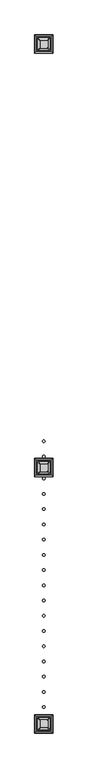
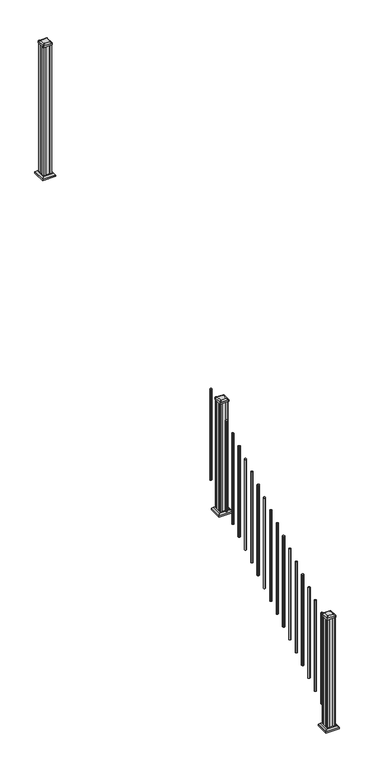
"""IFC4 building model written with IfcOpenShell, lengths in millimetres: railing geometry."""

from ifc_helpers import new_model, si_unit, point, frame, frame_2d, origin, place, context, project, spatial, polyline, circle_curve, trimmed, segment, composite_curve, outline, extrude, faceted_brep, source, transform, mapped, element, save
from ifc_brep_helpers import plane_surface, extruded_surface, advanced_brep


def railing_6326aafb(model_context):
    return source(origin(), model_context, "Body", "SolidModel", [
        extrude(outline(composite_curve([segment(trimmed(circle_curve(frame_2d((9756.5942659, -14792.9319681)), 9.525), [point((9747.0692659, -14792.9319681))], [point((9756.5942659, -14783.4069681))], False, "CARTESIAN"), True, "CONTINUOUS"), segment(trimmed(circle_curve(frame_2d((9756.5942659, -14792.9319681)), 9.525), [point((9756.5942659, -14783.4069681))], [point((9766.1192659, -14792.9319681))], False, "CARTESIAN"), True, "CONTINUOUS"), segment(trimmed(circle_curve(frame_2d((9756.5942659, -14792.9319681)), 9.525), [point((9766.1192659, -14792.9319681))], [point((9756.5942659, -14802.4569681))], False, "CARTESIAN"), True, "CONTINUOUS"), segment(trimmed(circle_curve(frame_2d((9756.5942659, -14792.9319681)), 9.525), [point((9756.5942659, -14802.4569681))], [point((9747.0692659, -14792.9319681))], False, "CARTESIAN"), True, "CONTINUOUS")], self_intersect=False)), frame((0.0, 0.0, 1555.1505656), z_axis=(0.0, 0.0, 1.0), x_axis=(1.0, 0.0, 0.0)), (0.0, 0.0, 1.0), 965.2041219),
        extrude(outline(composite_curve([segment(trimmed(circle_curve(frame_2d((9756.5942659, -14904.0569681)), 9.525), [point((9747.0692659, -14904.0569681))], [point((9756.5942659, -14894.5319681))], False, "CARTESIAN"), True, "CONTINUOUS"), segment(trimmed(circle_curve(frame_2d((9756.5942659, -14904.0569681)), 9.525), [point((9756.5942659, -14894.5319681))], [point((9766.1192659, -14904.0569681))], False, "CARTESIAN"), True, "CONTINUOUS"), segment(trimmed(circle_curve(frame_2d((9756.5942659, -14904.0569681)), 9.525), [point((9766.1192659, -14904.0569681))], [point((9756.5942659, -14913.5819681))], False, "CARTESIAN"), True, "CONTINUOUS"), segment(trimmed(circle_curve(frame_2d((9756.5942659, -14904.0569681)), 9.525), [point((9756.5942659, -14913.5819681))], [point((9747.0692659, -14904.0569681))], False, "CARTESIAN"), True, "CONTINUOUS")], self_intersect=False)), frame((0.0, 0.0, 1485.6974406), z_axis=(0.0, 0.0, 1.0), x_axis=(1.0, 0.0, 0.0)), (0.0, 0.0, 1.0), 965.2041219),
        faceted_brep([(9704.0083284, -15037.6054056, 1362.075), (9809.1802034, -15037.6054056, 1362.075), (9809.1802034, -14932.4335306, 1362.075), (9704.0083284, -14932.4335306, 1362.075), (9689.9688753, -15051.6448587, 1348.74), (9689.9688753, -14918.3940775, 1348.74), (9823.2196565, -14918.3940775, 1348.74), (9823.2196565, -15051.6448587, 1348.74)], [[[0, 1, 2, 3]], [[4, 5, 6, 7]], [[4, 7, 1, 0]], [[7, 6, 2, 1]], [[6, 5, 3, 2]], [[5, 4, 0, 3]]]),
        extrude(outline(polyline([(9689.9688753, -15051.6448587), (9689.9688753, -14918.3940775), (9823.2196565, -14918.3940775), (9823.2196565, -15051.6448587), (9689.9688753, -15051.6448587)])), frame((0.0, 0.0, 1333.5), z_axis=(0.0, 0.0, 1.0), x_axis=(1.0, 0.0, 0.0)), (0.0, 0.0, 1.0), 15.24),
        advanced_brep(
        [(9782.3911409, -15013.9913431, 2545.839263), (9785.5661409, -15010.8163431, 2545.839263), (9785.5661409, -14959.2225931, 2545.839263), (9782.3911409, -14956.0475931, 2545.839263), (9730.7973909, -14956.0475931, 2545.839263), (9727.6223909, -14959.2225931, 2545.839263), (9727.6223909, -15010.8163431, 2545.839263), (9730.7973909, -15013.9913431, 2545.839263), (9798.6630159, -15030.2632181, 2534.536263), (9714.5255159, -15030.2632181, 2534.536263), (9711.3505159, -15027.0882181, 2534.536263), (9711.3505159, -14942.9507181, 2534.536263), (9714.5255159, -14939.7757181, 2534.536263), (9798.6630159, -14939.7757181, 2534.536263), (9801.8380159, -14942.9507181, 2534.536263), (9801.8380159, -15027.0882181, 2534.536263)],
        [
            (0, 1, circle_curve(frame((9782.3911409, -15010.8163431, 2545.839263), z_axis=(0.0, 0.0, 1.0), x_axis=(0.0, 1.0, 0.0)), 3.175)),
            (1, 2),
            (2, 3, circle_curve(frame((9782.3911409, -14959.2225931, 2545.839263), z_axis=(0.0, 0.0, 1.0), x_axis=(0.0, 1.0, 0.0)), 3.175)),
            (3, 4),
            (4, 5, circle_curve(frame((9730.7973909, -14959.2225931, 2545.839263), z_axis=(0.0, 0.0, 1.0), x_axis=(0.0, 1.0, 0.0)), 3.175)),
            (5, 6),
            (6, 7, circle_curve(frame((9730.7973909, -15010.8163431, 2545.839263), z_axis=(0.0, 0.0, 1.0), x_axis=(0.0, 1.0, 0.0)), 3.175)),
            (7, 0),
            (8, 9),
            (9, 10, circle_curve(frame((9714.5255159, -15027.0882181, 2534.536263), z_axis=(0.0, 0.0, -1.0), x_axis=(0.0, 1.0, 0.0)), 3.175)),
            (10, 11),
            (11, 12, circle_curve(frame((9714.5255159, -14942.9507181, 2534.536263), z_axis=(0.0, 0.0, -1.0), x_axis=(0.0, 1.0, 0.0)), 3.175)),
            (12, 13),
            (13, 14, circle_curve(frame((9798.6630159, -14942.9507181, 2534.536263), z_axis=(0.0, 0.0, -1.0), x_axis=(0.0, 1.0, 0.0)), 3.175)),
            (14, 15),
            (15, 8, circle_curve(frame((9798.6630159, -15027.0882181, 2534.536263), z_axis=(0.0, 0.0, -1.0), x_axis=(0.0, 1.0, 0.0)), 3.175)),
            (15, 1),
            (0, 8),
            (14, 2),
            (13, 3),
            (12, 4),
            (11, 5),
            (10, 6),
            (9, 7),
        ],
        [
            plane_surface(frame((9756.5942659, -14985.0194681, 2545.839263), z_axis=(0.0, 0.0, 1.0), x_axis=(1.0, 0.0, 0.0))),
            plane_surface(frame((9756.5942659, -14985.0194681, 2534.536263), z_axis=(0.0, 0.0, -1.0), x_axis=(1.0, 0.0, 0.0))),
            extruded_surface(trimmed(circle_curve(frame((9798.6630159, -15027.0882181, 2534.536263), z_axis=(0.0, 0.0, 1.0), x_axis=(0.0, 1.0, 0.0)), 3.175), [point((9798.6630159, -15030.2632181, 2534.536263))], [point((9801.8380159, -15027.0882181, 2534.536263))], True, "CARTESIAN"), (-16.271875000000364, 16.271875000000364, 11.302999999999884), 25.63797263886657),
            plane_surface(frame((9801.8380159, -14985.0194681, 2534.536263), z_axis=(0.5705009161540778, 0.0, 0.8212969649690408), x_axis=(0.0, 1.0, 0.0))),
            extruded_surface(trimmed(circle_curve(frame((9798.6630159, -14942.9507181, 2534.536263), z_axis=(0.0, 0.0, 1.0), x_axis=(0.0, 1.0, 0.0)), 3.175), [point((9801.8380159, -14942.9507181, 2534.536263))], [point((9798.6630159, -14939.7757181, 2534.536263))], True, "CARTESIAN"), (-16.271875000000364, -16.271874999998545, 11.302999999999884), 25.63797263886542),
            plane_surface(frame((9756.5942659, -14939.7757181, 2534.536263), z_axis=(0.0, 0.5705009161540291, 0.8212969649690747), x_axis=(-1.0, 0.0, 0.0))),
            extruded_surface(trimmed(circle_curve(frame((9714.5255159, -14942.9507181, 2534.536263), z_axis=(0.0, 0.0, 1.0), x_axis=(0.0, 1.0, 0.0)), 3.175), [point((9714.5255159, -14939.7757181, 2534.536263))], [point((9711.3505159, -14942.9507181, 2534.536263))], True, "CARTESIAN"), (16.271874999998545, -16.271874999998545, 11.302999999999884), 25.637972638864262),
            plane_surface(frame((9711.3505159, -14985.0194681, 2534.536263), z_axis=(-0.5705009161540142, 0.0, 0.8212969649690851), x_axis=(0.0, -1.0, 0.0))),
            extruded_surface(trimmed(circle_curve(frame((9714.5255159, -15027.0882181, 2534.536263), z_axis=(0.0, 0.0, 1.0), x_axis=(0.0, 1.0, 0.0)), 3.175), [point((9711.3505159, -15027.0882181, 2534.536263))], [point((9714.5255159, -15030.2632181, 2534.536263))], True, "CARTESIAN"), (16.271874999998545, 16.271875000000364, 11.302999999999884), 25.63797263886542),
            plane_surface(frame((9756.5942659, -15030.2632181, 2534.536263), z_axis=(0.0, -0.570500916154034, 0.8212969649690713), x_axis=(1.0, 0.0, 0.0))),
        ],
        [
            (0, [[1, 2, 3, 4, 5, 6, 7, 8]]),
            (1, [[9, 10, 11, 12, 13, 14, 15, 16]]),
            (2, [[-16, 17, -1, 18]]),
            (3, [[-15, 19, -2, -17]]),
            (4, [[-14, 20, -3, -19]]),
            (5, [[-13, 21, -4, -20]]),
            (6, [[-12, 22, -5, -21]]),
            (7, [[-11, 23, -6, -22]]),
            (8, [[-10, 24, -7, -23]]),
            (9, [[-9, -18, -8, -24]]),
        ],
    ),
        extrude(outline(composite_curve([segment(polyline([(9798.6630159, -15030.2632181), (9714.5255159, -15030.2632181)]), True, "CONTINUOUS"), segment(trimmed(circle_curve(frame_2d((9714.5255159, -15027.0882181)), 3.175), [point((9714.5255159, -15030.2632181))], [point((9711.3505159, -15027.0882181))], False, "CARTESIAN"), True, "CONTINUOUS"), segment(polyline([(9711.3505159, -15027.0882181), (9711.3505159, -14942.9507181)]), True, "CONTINUOUS"), segment(trimmed(circle_curve(frame_2d((9714.5255159, -14942.9507181)), 3.175), [point((9711.3505159, -14942.9507181))], [point((9714.5255159, -14939.7757181))], False, "CARTESIAN"), True, "CONTINUOUS"), segment(polyline([(9714.5255159, -14939.7757181), (9798.6630159, -14939.7757181)]), True, "CONTINUOUS"), segment(trimmed(circle_curve(frame_2d((9798.6630159, -14942.9507181)), 3.175), [point((9798.6630159, -14939.7757181))], [point((9801.8380159, -14942.9507181))], False, "CARTESIAN"), True, "CONTINUOUS"), segment(polyline([(9801.8380159, -14942.9507181), (9801.8380159, -15027.0882181)]), True, "CONTINUOUS"), segment(trimmed(circle_curve(frame_2d((9798.6630159, -15027.0882181)), 3.175), [point((9801.8380159, -15027.0882181))], [point((9798.6630159, -15030.2632181))], False, "CARTESIAN"), True, "CONTINUOUS")], self_intersect=False)), frame((0.0, 0.0, 2517.264263), z_axis=(0.0, 0.0, 1.0), x_axis=(1.0, 0.0, 0.0)), (0.0, 0.0, 1.0), 17.272),
        extrude(outline(polyline([(9796.2817659, -15026.2944681), (9776.6602659, -15026.2944681), (9775.8982659, -15024.7069681), (9737.2902659, -15024.7069681), (9736.5282659, -15026.2944681), (9716.9067659, -15026.2944681), (9715.3192659, -15024.7069681), (9715.3192659, -15005.0854681), (9716.9067659, -15004.3234681), (9716.9067659, -14965.7154681), (9715.3192659, -14964.9534681), (9715.3192659, -14945.3319681), (9716.9067659, -14943.7444681), (9736.5282659, -14943.7444681), (9737.2902659, -14945.3319681), (9775.8982659, -14945.3319681), (9776.6602659, -14943.7444681), (9796.2817659, -14943.7444681), (9797.8692659, -14945.3319681), (9797.8692659, -14964.9534681), (9796.2817659, -14965.7154681), (9796.2817659, -15004.3234681), (9797.8692659, -15005.0854681), (9797.8692659, -15024.7069681), (9796.2817659, -15026.2944681)])), frame((0.0, 0.0, 1333.5), z_axis=(0.0, 0.0, 1.0), x_axis=(1.0, 0.0, 0.0)), (0.0, 0.0, 1.0), 1183.764263),
        extrude(outline(composite_curve([segment(trimmed(circle_curve(frame_2d((9756.5942659, -15065.9819681)), 9.525), [point((9747.0692659, -15065.9819681))], [point((9756.5942659, -15056.4569681))], False, "CARTESIAN"), True, "CONTINUOUS"), segment(trimmed(circle_curve(frame_2d((9756.5942659, -15065.9819681)), 9.525), [point((9756.5942659, -15056.4569681))], [point((9766.1192659, -15065.9819681))], False, "CARTESIAN"), True, "CONTINUOUS"), segment(trimmed(circle_curve(frame_2d((9756.5942659, -15065.9819681)), 9.525), [point((9766.1192659, -15065.9819681))], [point((9756.5942659, -15075.5069681))], False, "CARTESIAN"), True, "CONTINUOUS"), segment(trimmed(circle_curve(frame_2d((9756.5942659, -15065.9819681)), 9.525), [point((9756.5942659, -15075.5069681))], [point((9747.0692659, -15065.9819681))], False, "CARTESIAN"), True, "CONTINUOUS")], self_intersect=False)), frame((0.0, 0.0, 1384.4943156), z_axis=(0.0, 0.0, 1.0), x_axis=(1.0, 0.0, 0.0)), (0.0, 0.0, 1.0), 965.2041219),
        extrude(outline(composite_curve([segment(trimmed(circle_curve(frame_2d((9756.5942659, -15177.1069681)), 9.525), [point((9747.0692659, -15177.1069681))], [point((9756.5942659, -15167.5819681))], False, "CARTESIAN"), True, "CONTINUOUS"), segment(trimmed(circle_curve(frame_2d((9756.5942659, -15177.1069681)), 9.525), [point((9756.5942659, -15167.5819681))], [point((9766.1192659, -15177.1069681))], False, "CARTESIAN"), True, "CONTINUOUS"), segment(trimmed(circle_curve(frame_2d((9756.5942659, -15177.1069681)), 9.525), [point((9766.1192659, -15177.1069681))], [point((9756.5942659, -15186.6319681))], False, "CARTESIAN"), True, "CONTINUOUS"), segment(trimmed(circle_curve(frame_2d((9756.5942659, -15177.1069681)), 9.525), [point((9756.5942659, -15186.6319681))], [point((9747.0692659, -15177.1069681))], False, "CARTESIAN"), True, "CONTINUOUS")], self_intersect=False)), frame((0.0, 0.0, 1315.0411906), z_axis=(0.0, 0.0, 1.0), x_axis=(1.0, 0.0, 0.0)), (0.0, 0.0, 1.0), 965.2041219),
        extrude(outline(composite_curve([segment(trimmed(circle_curve(frame_2d((9756.5942659, -15288.2319681)), 9.525), [point((9747.0692659, -15288.2319681))], [point((9756.5942659, -15278.7069681))], False, "CARTESIAN"), True, "CONTINUOUS"), segment(trimmed(circle_curve(frame_2d((9756.5942659, -15288.2319681)), 9.525), [point((9756.5942659, -15278.7069681))], [point((9766.1192659, -15288.2319681))], False, "CARTESIAN"), True, "CONTINUOUS"), segment(trimmed(circle_curve(frame_2d((9756.5942659, -15288.2319681)), 9.525), [point((9766.1192659, -15288.2319681))], [point((9756.5942659, -15297.7569681))], False, "CARTESIAN"), True, "CONTINUOUS"), segment(trimmed(circle_curve(frame_2d((9756.5942659, -15288.2319681)), 9.525), [point((9756.5942659, -15297.7569681))], [point((9747.0692659, -15288.2319681))], False, "CARTESIAN"), True, "CONTINUOUS")], self_intersect=False)), frame((0.0, 0.0, 1245.5880656), z_axis=(0.0, 0.0, 1.0), x_axis=(1.0, 0.0, 0.0)), (0.0, 0.0, 1.0), 965.2041219),
        extrude(outline(composite_curve([segment(trimmed(circle_curve(frame_2d((9756.5942659, -15399.3569681)), 9.525), [point((9747.0692659, -15399.3569681))], [point((9756.5942659, -15389.8319681))], False, "CARTESIAN"), True, "CONTINUOUS"), segment(trimmed(circle_curve(frame_2d((9756.5942659, -15399.3569681)), 9.525), [point((9756.5942659, -15389.8319681))], [point((9766.1192659, -15399.3569681))], False, "CARTESIAN"), True, "CONTINUOUS"), segment(trimmed(circle_curve(frame_2d((9756.5942659, -15399.3569681)), 9.525), [point((9766.1192659, -15399.3569681))], [point((9756.5942659, -15408.8819681))], False, "CARTESIAN"), True, "CONTINUOUS"), segment(trimmed(circle_curve(frame_2d((9756.5942659, -15399.3569681)), 9.525), [point((9756.5942659, -15408.8819681))], [point((9747.0692659, -15399.3569681))], False, "CARTESIAN"), True, "CONTINUOUS")], self_intersect=False)), frame((0.0, 0.0, 1176.1349406), z_axis=(0.0, 0.0, 1.0), x_axis=(1.0, 0.0, 0.0)), (0.0, 0.0, 1.0), 965.2041219),
        extrude(outline(composite_curve([segment(trimmed(circle_curve(frame_2d((9756.5942659, -15510.4819681)), 9.525), [point((9747.0692659, -15510.4819681))], [point((9756.5942659, -15500.9569681))], False, "CARTESIAN"), True, "CONTINUOUS"), segment(trimmed(circle_curve(frame_2d((9756.5942659, -15510.4819681)), 9.525), [point((9756.5942659, -15500.9569681))], [point((9766.1192659, -15510.4819681))], False, "CARTESIAN"), True, "CONTINUOUS"), segment(trimmed(circle_curve(frame_2d((9756.5942659, -15510.4819681)), 9.525), [point((9766.1192659, -15510.4819681))], [point((9756.5942659, -15520.0069681))], False, "CARTESIAN"), True, "CONTINUOUS"), segment(trimmed(circle_curve(frame_2d((9756.5942659, -15510.4819681)), 9.525), [point((9756.5942659, -15520.0069681))], [point((9747.0692659, -15510.4819681))], False, "CARTESIAN"), True, "CONTINUOUS")], self_intersect=False)), frame((0.0, 0.0, 1106.6818156), z_axis=(0.0, 0.0, 1.0), x_axis=(1.0, 0.0, 0.0)), (0.0, 0.0, 1.0), 965.2041219),
        extrude(outline(composite_curve([segment(trimmed(circle_curve(frame_2d((9756.5942659, -15621.6069681)), 9.525), [point((9747.0692659, -15621.6069681))], [point((9756.5942659, -15612.0819681))], False, "CARTESIAN"), True, "CONTINUOUS"), segment(trimmed(circle_curve(frame_2d((9756.5942659, -15621.6069681)), 9.525), [point((9756.5942659, -15612.0819681))], [point((9766.1192659, -15621.6069681))], False, "CARTESIAN"), True, "CONTINUOUS"), segment(trimmed(circle_curve(frame_2d((9756.5942659, -15621.6069681)), 9.525), [point((9766.1192659, -15621.6069681))], [point((9756.5942659, -15631.1319681))], False, "CARTESIAN"), True, "CONTINUOUS"), segment(trimmed(circle_curve(frame_2d((9756.5942659, -15621.6069681)), 9.525), [point((9756.5942659, -15631.1319681))], [point((9747.0692659, -15621.6069681))], False, "CARTESIAN"), True, "CONTINUOUS")], self_intersect=False)), frame((0.0, 0.0, 1037.2286906), z_axis=(0.0, 0.0, 1.0), x_axis=(1.0, 0.0, 0.0)), (0.0, 0.0, 1.0), 965.2041219),
        extrude(outline(composite_curve([segment(trimmed(circle_curve(frame_2d((9756.5942659, -15732.7319681)), 9.525), [point((9747.0692659, -15732.7319681))], [point((9756.5942659, -15723.2069681))], False, "CARTESIAN"), True, "CONTINUOUS"), segment(trimmed(circle_curve(frame_2d((9756.5942659, -15732.7319681)), 9.525), [point((9756.5942659, -15723.2069681))], [point((9766.1192659, -15732.7319681))], False, "CARTESIAN"), True, "CONTINUOUS"), segment(trimmed(circle_curve(frame_2d((9756.5942659, -15732.7319681)), 9.525), [point((9766.1192659, -15732.7319681))], [point((9756.5942659, -15742.2569681))], False, "CARTESIAN"), True, "CONTINUOUS"), segment(trimmed(circle_curve(frame_2d((9756.5942659, -15732.7319681)), 9.525), [point((9756.5942659, -15742.2569681))], [point((9747.0692659, -15732.7319681))], False, "CARTESIAN"), True, "CONTINUOUS")], self_intersect=False)), frame((0.0, 0.0, 967.7755656), z_axis=(0.0, 0.0, 1.0), x_axis=(1.0, 0.0, 0.0)), (0.0, 0.0, 1.0), 965.2041219),
        extrude(outline(composite_curve([segment(trimmed(circle_curve(frame_2d((9756.5942659, -15843.8569681)), 9.525), [point((9747.0692659, -15843.8569681))], [point((9756.5942659, -15834.3319681))], False, "CARTESIAN"), True, "CONTINUOUS"), segment(trimmed(circle_curve(frame_2d((9756.5942659, -15843.8569681)), 9.525), [point((9756.5942659, -15834.3319681))], [point((9766.1192659, -15843.8569681))], False, "CARTESIAN"), True, "CONTINUOUS"), segment(trimmed(circle_curve(frame_2d((9756.5942659, -15843.8569681)), 9.525), [point((9766.1192659, -15843.8569681))], [point((9756.5942659, -15853.3819681))], False, "CARTESIAN"), True, "CONTINUOUS"), segment(trimmed(circle_curve(frame_2d((9756.5942659, -15843.8569681)), 9.525), [point((9756.5942659, -15853.3819681))], [point((9747.0692659, -15843.8569681))], False, "CARTESIAN"), True, "CONTINUOUS")], self_intersect=False)), frame((0.0, 0.0, 898.3224406), z_axis=(0.0, 0.0, 1.0), x_axis=(1.0, 0.0, 0.0)), (0.0, 0.0, 1.0), 965.2041219),
        extrude(outline(composite_curve([segment(trimmed(circle_curve(frame_2d((9756.5942659, -15954.9819681)), 9.525), [point((9747.0692659, -15954.9819681))], [point((9756.5942659, -15945.4569681))], False, "CARTESIAN"), True, "CONTINUOUS"), segment(trimmed(circle_curve(frame_2d((9756.5942659, -15954.9819681)), 9.525), [point((9756.5942659, -15945.4569681))], [point((9766.1192659, -15954.9819681))], False, "CARTESIAN"), True, "CONTINUOUS"), segment(trimmed(circle_curve(frame_2d((9756.5942659, -15954.9819681)), 9.525), [point((9766.1192659, -15954.9819681))], [point((9756.5942659, -15964.5069681))], False, "CARTESIAN"), True, "CONTINUOUS"), segment(trimmed(circle_curve(frame_2d((9756.5942659, -15954.9819681)), 9.525), [point((9756.5942659, -15964.5069681))], [point((9747.0692659, -15954.9819681))], False, "CARTESIAN"), True, "CONTINUOUS")], self_intersect=False)), frame((0.0, 0.0, 828.8693156), z_axis=(0.0, 0.0, 1.0), x_axis=(1.0, 0.0, 0.0)), (0.0, 0.0, 1.0), 965.2041219),
        extrude(outline(composite_curve([segment(trimmed(circle_curve(frame_2d((9756.5942659, -16066.1069681)), 9.525), [point((9747.0692659, -16066.1069681))], [point((9756.5942659, -16056.5819681))], False, "CARTESIAN"), True, "CONTINUOUS"), segment(trimmed(circle_curve(frame_2d((9756.5942659, -16066.1069681)), 9.525), [point((9756.5942659, -16056.5819681))], [point((9766.1192659, -16066.1069681))], False, "CARTESIAN"), True, "CONTINUOUS"), segment(trimmed(circle_curve(frame_2d((9756.5942659, -16066.1069681)), 9.525), [point((9766.1192659, -16066.1069681))], [point((9756.5942659, -16075.6319681))], False, "CARTESIAN"), True, "CONTINUOUS"), segment(trimmed(circle_curve(frame_2d((9756.5942659, -16066.1069681)), 9.525), [point((9756.5942659, -16075.6319681))], [point((9747.0692659, -16066.1069681))], False, "CARTESIAN"), True, "CONTINUOUS")], self_intersect=False)), frame((0.0, 0.0, 759.4161906), z_axis=(0.0, 0.0, 1.0), x_axis=(1.0, 0.0, 0.0)), (0.0, 0.0, 1.0), 965.2041219),
        extrude(outline(composite_curve([segment(trimmed(circle_curve(frame_2d((9756.5942659, -16177.2319681)), 9.525), [point((9747.0692659, -16177.2319681))], [point((9756.5942659, -16167.7069681))], False, "CARTESIAN"), True, "CONTINUOUS"), segment(trimmed(circle_curve(frame_2d((9756.5942659, -16177.2319681)), 9.525), [point((9756.5942659, -16167.7069681))], [point((9766.1192659, -16177.2319681))], False, "CARTESIAN"), True, "CONTINUOUS"), segment(trimmed(circle_curve(frame_2d((9756.5942659, -16177.2319681)), 9.525), [point((9766.1192659, -16177.2319681))], [point((9756.5942659, -16186.7569681))], False, "CARTESIAN"), True, "CONTINUOUS"), segment(trimmed(circle_curve(frame_2d((9756.5942659, -16177.2319681)), 9.525), [point((9756.5942659, -16186.7569681))], [point((9747.0692659, -16177.2319681))], False, "CARTESIAN"), True, "CONTINUOUS")], self_intersect=False)), frame((0.0, 0.0, 689.9630656), z_axis=(0.0, 0.0, 1.0), x_axis=(1.0, 0.0, 0.0)), (0.0, 0.0, 1.0), 965.2041219),
        extrude(outline(composite_curve([segment(trimmed(circle_curve(frame_2d((9756.5942659, -16288.3569681)), 9.525), [point((9747.0692659, -16288.3569681))], [point((9756.5942659, -16278.8319681))], False, "CARTESIAN"), True, "CONTINUOUS"), segment(trimmed(circle_curve(frame_2d((9756.5942659, -16288.3569681)), 9.525), [point((9756.5942659, -16278.8319681))], [point((9766.1192659, -16288.3569681))], False, "CARTESIAN"), True, "CONTINUOUS"), segment(trimmed(circle_curve(frame_2d((9756.5942659, -16288.3569681)), 9.525), [point((9766.1192659, -16288.3569681))], [point((9756.5942659, -16297.8819681))], False, "CARTESIAN"), True, "CONTINUOUS"), segment(trimmed(circle_curve(frame_2d((9756.5942659, -16288.3569681)), 9.525), [point((9756.5942659, -16297.8819681))], [point((9747.0692659, -16288.3569681))], False, "CARTESIAN"), True, "CONTINUOUS")], self_intersect=False)), frame((0.0, 0.0, 620.5099406), z_axis=(0.0, 0.0, 1.0), x_axis=(1.0, 0.0, 0.0)), (0.0, 0.0, 1.0), 965.2041219),
        extrude(outline(composite_curve([segment(trimmed(circle_curve(frame_2d((9756.5942659, -16399.4819681)), 9.525), [point((9747.0692659, -16399.4819681))], [point((9756.5942659, -16389.9569681))], False, "CARTESIAN"), True, "CONTINUOUS"), segment(trimmed(circle_curve(frame_2d((9756.5942659, -16399.4819681)), 9.525), [point((9756.5942659, -16389.9569681))], [point((9766.1192659, -16399.4819681))], False, "CARTESIAN"), True, "CONTINUOUS"), segment(trimmed(circle_curve(frame_2d((9756.5942659, -16399.4819681)), 9.525), [point((9766.1192659, -16399.4819681))], [point((9756.5942659, -16409.0069681))], False, "CARTESIAN"), True, "CONTINUOUS"), segment(trimmed(circle_curve(frame_2d((9756.5942659, -16399.4819681)), 9.525), [point((9756.5942659, -16409.0069681))], [point((9747.0692659, -16399.4819681))], False, "CARTESIAN"), True, "CONTINUOUS")], self_intersect=False)), frame((0.0, 0.0, 551.0568156), z_axis=(0.0, 0.0, 1.0), x_axis=(1.0, 0.0, 0.0)), (0.0, 0.0, 1.0), 965.2041219),
        extrude(outline(composite_curve([segment(trimmed(circle_curve(frame_2d((9756.5942659, -16510.6069681)), 9.525), [point((9747.0692659, -16510.6069681))], [point((9756.5942659, -16501.0819681))], False, "CARTESIAN"), True, "CONTINUOUS"), segment(trimmed(circle_curve(frame_2d((9756.5942659, -16510.6069681)), 9.525), [point((9756.5942659, -16501.0819681))], [point((9766.1192659, -16510.6069681))], False, "CARTESIAN"), True, "CONTINUOUS"), segment(trimmed(circle_curve(frame_2d((9756.5942659, -16510.6069681)), 9.525), [point((9766.1192659, -16510.6069681))], [point((9756.5942659, -16520.1319681))], False, "CARTESIAN"), True, "CONTINUOUS"), segment(trimmed(circle_curve(frame_2d((9756.5942659, -16510.6069681)), 9.525), [point((9756.5942659, -16520.1319681))], [point((9747.0692659, -16510.6069681))], False, "CARTESIAN"), True, "CONTINUOUS")], self_intersect=False)), frame((0.0, 0.0, 481.6036906), z_axis=(0.0, 0.0, 1.0), x_axis=(1.0, 0.0, 0.0)), (0.0, 0.0, 1.0), 965.2041219),
        extrude(outline(composite_curve([segment(trimmed(circle_curve(frame_2d((9756.5942659, -16621.7319681)), 9.525), [point((9747.0692659, -16621.7319681))], [point((9756.5942659, -16612.2069681))], False, "CARTESIAN"), True, "CONTINUOUS"), segment(trimmed(circle_curve(frame_2d((9756.5942659, -16621.7319681)), 9.525), [point((9756.5942659, -16612.2069681))], [point((9766.1192659, -16621.7319681))], False, "CARTESIAN"), True, "CONTINUOUS"), segment(trimmed(circle_curve(frame_2d((9756.5942659, -16621.7319681)), 9.525), [point((9766.1192659, -16621.7319681))], [point((9756.5942659, -16631.2569681))], False, "CARTESIAN"), True, "CONTINUOUS"), segment(trimmed(circle_curve(frame_2d((9756.5942659, -16621.7319681)), 9.525), [point((9756.5942659, -16631.2569681))], [point((9747.0692659, -16621.7319681))], False, "CARTESIAN"), True, "CONTINUOUS")], self_intersect=False)), frame((0.0, 0.0, 412.1505656), z_axis=(0.0, 0.0, 1.0), x_axis=(1.0, 0.0, 0.0)), (0.0, 0.0, 1.0), 965.2041219),
        extrude(outline(composite_curve([segment(trimmed(circle_curve(frame_2d((9756.5942659, -16732.8569681)), 9.525), [point((9747.0692659, -16732.8569681))], [point((9756.5942659, -16723.3319681))], False, "CARTESIAN"), True, "CONTINUOUS"), segment(trimmed(circle_curve(frame_2d((9756.5942659, -16732.8569681)), 9.525), [point((9756.5942659, -16723.3319681))], [point((9766.1192659, -16732.8569681))], False, "CARTESIAN"), True, "CONTINUOUS"), segment(trimmed(circle_curve(frame_2d((9756.5942659, -16732.8569681)), 9.525), [point((9766.1192659, -16732.8569681))], [point((9756.5942659, -16742.3819681))], False, "CARTESIAN"), True, "CONTINUOUS"), segment(trimmed(circle_curve(frame_2d((9756.5942659, -16732.8569681)), 9.525), [point((9756.5942659, -16742.3819681))], [point((9747.0692659, -16732.8569681))], False, "CARTESIAN"), True, "CONTINUOUS")], self_intersect=False)), frame((0.0, 0.0, 342.6974406), z_axis=(0.0, 0.0, 1.0), x_axis=(1.0, 0.0, 0.0)), (0.0, 0.0, 1.0), 965.2041219),
        extrude(outline(polyline([(9796.2817659, -11937.0194681), (9776.6602659, -11937.0194681), (9775.8982659, -11935.4319681), (9737.2902659, -11935.4319681), (9736.5282659, -11937.0194681), (9716.9067659, -11937.0194681), (9715.3192659, -11935.4319681), (9715.3192659, -11915.8104681), (9716.9067659, -11915.0484681), (9716.9067659, -11876.4404681), (9715.3192659, -11875.6784681), (9715.3192659, -11856.0569681), (9716.9067659, -11854.4694681), (9736.5282659, -11854.4694681), (9737.2902659, -11856.0569681), (9775.8982659, -11856.0569681), (9776.6602659, -11854.4694681), (9796.2817659, -11854.4694681), (9797.8692659, -11856.0569681), (9797.8692659, -11875.6784681), (9796.2817659, -11876.4404681), (9796.2817659, -11915.0484681), (9797.8692659, -11915.8104681), (9797.8692659, -11935.4319681), (9796.2817659, -11937.0194681)])), frame((0.0, 0.0, 3048.0), z_axis=(0.0, 0.0, 1.0), x_axis=(1.0, 0.0, 0.0)), (0.0, 0.0, 1.0), 1400.061138),
        faceted_brep([(9704.0083284, -11948.3304056, 3076.575), (9809.1802034, -11948.3304056, 3076.575), (9809.1802034, -11843.1585306, 3076.575), (9704.0083284, -11843.1585306, 3076.575), (9689.9688753, -11962.3698587, 3063.24), (9689.9688753, -11829.1190775, 3063.24), (9823.2196565, -11829.1190775, 3063.24), (9823.2196565, -11962.3698587, 3063.24)], [[[0, 1, 2, 3]], [[4, 5, 6, 7]], [[4, 7, 1, 0]], [[7, 6, 2, 1]], [[6, 5, 3, 2]], [[5, 4, 0, 3]]]),
        extrude(outline(polyline([(9689.9688753, -11962.3698587), (9689.9688753, -11829.1190775), (9823.2196565, -11829.1190775), (9823.2196565, -11962.3698587), (9689.9688753, -11962.3698587)])), frame((0.0, 0.0, 3048.0), z_axis=(0.0, 0.0, 1.0), x_axis=(1.0, 0.0, 0.0)), (0.0, 0.0, 1.0), 15.24),
        advanced_brep(
        [(9782.3911409, -11924.7163431, 4476.636138), (9785.5661409, -11921.5413431, 4476.636138), (9785.5661409, -11869.9475931, 4476.636138), (9782.3911409, -11866.7725931, 4476.636138), (9730.7973909, -11866.7725931, 4476.636138), (9727.6223909, -11869.9475931, 4476.636138), (9727.6223909, -11921.5413431, 4476.636138), (9730.7973909, -11924.7163431, 4476.636138), (9798.6630159, -11940.9882181, 4465.333138), (9714.5255159, -11940.9882181, 4465.333138), (9711.3505159, -11937.8132181, 4465.333138), (9711.3505159, -11853.6757181, 4465.333138), (9714.5255159, -11850.5007181, 4465.333138), (9798.6630159, -11850.5007181, 4465.333138), (9801.8380159, -11853.6757181, 4465.333138), (9801.8380159, -11937.8132181, 4465.333138)],
        [
            (0, 1, circle_curve(frame((9782.3911409, -11921.5413431, 4476.636138), z_axis=(0.0, 0.0, 1.0), x_axis=(0.0, 1.0, 0.0)), 3.175)),
            (1, 2),
            (2, 3, circle_curve(frame((9782.3911409, -11869.9475931, 4476.636138), z_axis=(0.0, 0.0, 1.0), x_axis=(0.0, 1.0, 0.0)), 3.175)),
            (3, 4),
            (4, 5, circle_curve(frame((9730.7973909, -11869.9475931, 4476.636138), z_axis=(0.0, 0.0, 1.0), x_axis=(0.0, 1.0, 0.0)), 3.175)),
            (5, 6),
            (6, 7, circle_curve(frame((9730.7973909, -11921.5413431, 4476.636138), z_axis=(0.0, 0.0, 1.0), x_axis=(0.0, 1.0, 0.0)), 3.175)),
            (7, 0),
            (8, 9),
            (9, 10, circle_curve(frame((9714.5255159, -11937.8132181, 4465.333138), z_axis=(0.0, 0.0, -1.0), x_axis=(0.0, 1.0, 0.0)), 3.175)),
            (10, 11),
            (11, 12, circle_curve(frame((9714.5255159, -11853.6757181, 4465.333138), z_axis=(0.0, 0.0, -1.0), x_axis=(0.0, 1.0, 0.0)), 3.175)),
            (12, 13),
            (13, 14, circle_curve(frame((9798.6630159, -11853.6757181, 4465.333138), z_axis=(0.0, 0.0, -1.0), x_axis=(0.0, 1.0, 0.0)), 3.175)),
            (14, 15),
            (15, 8, circle_curve(frame((9798.6630159, -11937.8132181, 4465.333138), z_axis=(0.0, 0.0, -1.0), x_axis=(0.0, 1.0, 0.0)), 3.175)),
            (15, 1),
            (0, 8),
            (14, 2),
            (13, 3),
            (12, 4),
            (11, 5),
            (10, 6),
            (9, 7),
        ],
        [
            plane_surface(frame((9756.5942659, -11895.7444681, 4476.636138), z_axis=(0.0, 0.0, 1.0), x_axis=(1.0, 0.0, 0.0))),
            plane_surface(frame((9756.5942659, -11895.7444681, 4465.333138), z_axis=(0.0, 0.0, -1.0), x_axis=(1.0, 0.0, 0.0))),
            extruded_surface(trimmed(circle_curve(frame((9798.6630159, -11937.8132181, 4465.333138), z_axis=(0.0, 0.0, 1.0), x_axis=(0.0, 1.0, 0.0)), 3.175), [point((9798.6630159, -11940.9882181, 4465.333138))], [point((9801.8380159, -11937.8132181, 4465.333138))], True, "CARTESIAN"), (-16.271875000000364, 16.271875000000364, 11.302999999999884), 25.63797263886657),
            plane_surface(frame((9801.8380159, -11895.7444681, 4465.333138), z_axis=(0.5705009161540685, 0.0, 0.8212969649690474), x_axis=(0.0, 1.0, 0.0))),
            extruded_surface(trimmed(circle_curve(frame((9798.6630159, -11853.6757181, 4465.333138), z_axis=(0.0, 0.0, 1.0), x_axis=(0.0, 1.0, 0.0)), 3.175), [point((9801.8380159, -11853.6757181, 4465.333138))], [point((9798.6630159, -11850.5007181, 4465.333138))], True, "CARTESIAN"), (-16.271875000000364, -16.271875000000364, 11.302999999999884), 25.63797263886657),
            plane_surface(frame((9756.5942659, -11850.5007181, 4465.333138), z_axis=(0.0, 0.5705009161540291, 0.8212969649690747), x_axis=(-1.0, 0.0, 0.0))),
            extruded_surface(trimmed(circle_curve(frame((9714.5255159, -11853.6757181, 4465.333138), z_axis=(0.0, 0.0, 1.0), x_axis=(0.0, 1.0, 0.0)), 3.175), [point((9714.5255159, -11850.5007181, 4465.333138))], [point((9711.3505159, -11853.6757181, 4465.333138))], True, "CARTESIAN"), (16.271874999998545, -16.271875000000364, 11.302999999999884), 25.63797263886542),
            plane_surface(frame((9711.3505159, -11895.7444681, 4465.333138), z_axis=(-0.5705009161540235, 0.0, 0.8212969649690786), x_axis=(0.0, -1.0, 0.0))),
            extruded_surface(trimmed(circle_curve(frame((9714.5255159, -11937.8132181, 4465.333138), z_axis=(0.0, 0.0, 1.0), x_axis=(0.0, 1.0, 0.0)), 3.175), [point((9711.3505159, -11937.8132181, 4465.333138))], [point((9714.5255159, -11940.9882181, 4465.333138))], True, "CARTESIAN"), (16.271874999998545, 16.271875000000364, 11.302999999999884), 25.63797263886542),
            plane_surface(frame((9756.5942659, -11940.9882181, 4465.333138), z_axis=(0.0, -0.570500916154034, 0.8212969649690713), x_axis=(1.0, 0.0, 0.0))),
        ],
        [
            (0, [[1, 2, 3, 4, 5, 6, 7, 8]]),
            (1, [[9, 10, 11, 12, 13, 14, 15, 16]]),
            (2, [[-16, 17, -1, 18]]),
            (3, [[-15, 19, -2, -17]]),
            (4, [[-14, 20, -3, -19]]),
            (5, [[-13, 21, -4, -20]]),
            (6, [[-12, 22, -5, -21]]),
            (7, [[-11, 23, -6, -22]]),
            (8, [[-10, 24, -7, -23]]),
            (9, [[-9, -18, -8, -24]]),
        ],
    ),
        extrude(outline(composite_curve([segment(polyline([(9798.6630159, -11940.9882181), (9714.5255159, -11940.9882181)]), True, "CONTINUOUS"), segment(trimmed(circle_curve(frame_2d((9714.5255159, -11937.8132181)), 3.175), [point((9714.5255159, -11940.9882181))], [point((9711.3505159, -11937.8132181))], False, "CARTESIAN"), True, "CONTINUOUS"), segment(polyline([(9711.3505159, -11937.8132181), (9711.3505159, -11853.6757181)]), True, "CONTINUOUS"), segment(trimmed(circle_curve(frame_2d((9714.5255159, -11853.6757181)), 3.175), [point((9711.3505159, -11853.6757181))], [point((9714.5255159, -11850.5007181))], False, "CARTESIAN"), True, "CONTINUOUS"), segment(polyline([(9714.5255159, -11850.5007181), (9798.6630159, -11850.5007181)]), True, "CONTINUOUS"), segment(trimmed(circle_curve(frame_2d((9798.6630159, -11853.6757181)), 3.175), [point((9798.6630159, -11850.5007181))], [point((9801.8380159, -11853.6757181))], False, "CARTESIAN"), True, "CONTINUOUS"), segment(polyline([(9801.8380159, -11853.6757181), (9801.8380159, -11937.8132181)]), True, "CONTINUOUS"), segment(trimmed(circle_curve(frame_2d((9798.6630159, -11937.8132181)), 3.175), [point((9801.8380159, -11937.8132181))], [point((9798.6630159, -11940.9882181))], False, "CARTESIAN"), True, "CONTINUOUS")], self_intersect=False)), frame((0.0, 0.0, 4448.061138), z_axis=(0.0, 0.0, 1.0), x_axis=(1.0, 0.0, 0.0)), (0.0, 0.0, 1.0), 17.272),
        faceted_brep([(9704.0083284, -16907.6804056, 193.278125), (9809.1802034, -16907.6804056, 193.278125), (9809.1802034, -16802.5085306, 193.278125), (9704.0083284, -16802.5085306, 193.278125), (9689.9688753, -16921.7198587, 179.943125), (9689.9688753, -16788.4690775, 179.943125), (9823.2196565, -16788.4690775, 179.943125), (9823.2196565, -16921.7198587, 179.943125)], [[[0, 1, 2, 3]], [[4, 5, 6, 7]], [[4, 7, 1, 0]], [[7, 6, 2, 1]], [[6, 5, 3, 2]], [[5, 4, 0, 3]]]),
        extrude(outline(polyline([(9689.9688753, -16921.7198587), (9689.9688753, -16788.4690775), (9823.2196565, -16788.4690775), (9823.2196565, -16921.7198587), (9689.9688753, -16921.7198587)])), frame((0.0, 0.0, 164.703125), z_axis=(0.0, 0.0, 1.0), x_axis=(1.0, 0.0, 0.0)), (0.0, 0.0, 1.0), 15.24),
        advanced_brep(
        [(9782.3911409, -16884.0663431, 1377.042388), (9785.5661409, -16880.8913431, 1377.042388), (9785.5661409, -16829.2975931, 1377.042388), (9782.3911409, -16826.1225931, 1377.042388), (9730.7973909, -16826.1225931, 1377.042388), (9727.6223909, -16829.2975931, 1377.042388), (9727.6223909, -16880.8913431, 1377.042388), (9730.7973909, -16884.0663431, 1377.042388), (9798.6630159, -16900.3382181, 1365.739388), (9714.5255159, -16900.3382181, 1365.739388), (9711.3505159, -16897.1632181, 1365.739388), (9711.3505159, -16813.0257181, 1365.739388), (9714.5255159, -16809.8507181, 1365.739388), (9798.6630159, -16809.8507181, 1365.739388), (9801.8380159, -16813.0257181, 1365.739388), (9801.8380159, -16897.1632181, 1365.739388)],
        [
            (0, 1, circle_curve(frame((9782.3911409, -16880.8913431, 1377.042388), z_axis=(0.0, 0.0, 1.0), x_axis=(0.0, 1.0, 0.0)), 3.175)),
            (1, 2),
            (2, 3, circle_curve(frame((9782.3911409, -16829.2975931, 1377.042388), z_axis=(0.0, 0.0, 1.0), x_axis=(0.0, 1.0, 0.0)), 3.175)),
            (3, 4),
            (4, 5, circle_curve(frame((9730.7973909, -16829.2975931, 1377.042388), z_axis=(0.0, 0.0, 1.0), x_axis=(0.0, 1.0, 0.0)), 3.175)),
            (5, 6),
            (6, 7, circle_curve(frame((9730.7973909, -16880.8913431, 1377.042388), z_axis=(0.0, 0.0, 1.0), x_axis=(0.0, 1.0, 0.0)), 3.175)),
            (7, 0),
            (8, 9),
            (9, 10, circle_curve(frame((9714.5255159, -16897.1632181, 1365.739388), z_axis=(0.0, 0.0, -1.0), x_axis=(0.0, 1.0, 0.0)), 3.175)),
            (10, 11),
            (11, 12, circle_curve(frame((9714.5255159, -16813.0257181, 1365.739388), z_axis=(0.0, 0.0, -1.0), x_axis=(0.0, 1.0, 0.0)), 3.175)),
            (12, 13),
            (13, 14, circle_curve(frame((9798.6630159, -16813.0257181, 1365.739388), z_axis=(0.0, 0.0, -1.0), x_axis=(0.0, 1.0, 0.0)), 3.175)),
            (14, 15),
            (15, 8, circle_curve(frame((9798.6630159, -16897.1632181, 1365.739388), z_axis=(0.0, 0.0, -1.0), x_axis=(0.0, 1.0, 0.0)), 3.175)),
            (15, 1),
            (0, 8),
            (14, 2),
            (13, 3),
            (12, 4),
            (11, 5),
            (10, 6),
            (9, 7),
        ],
        [
            plane_surface(frame((9756.5942659, -16855.0944681, 1377.042388), z_axis=(0.0, 0.0, 1.0), x_axis=(1.0, 0.0, 0.0))),
            plane_surface(frame((9756.5942659, -16855.0944681, 1365.739388), z_axis=(0.0, 0.0, -1.0), x_axis=(1.0, 0.0, 0.0))),
            extruded_surface(trimmed(circle_curve(frame((9798.6630159, -16897.1632181, 1365.739388), z_axis=(0.0, 0.0, 1.0), x_axis=(0.0, 1.0, 0.0)), 3.175), [point((9798.6630159, -16900.3382181, 1365.739388))], [point((9801.8380159, -16897.1632181, 1365.739388))], True, "CARTESIAN"), (-16.271875000000364, 16.271874999998545, 11.303000000000111), 25.63797263886552),
            plane_surface(frame((9801.8380159, -16855.0944681, 1365.739388), z_axis=(0.5705009161540778, 0.0, 0.8212969649690408), x_axis=(0.0, 1.0, 0.0))),
            extruded_surface(trimmed(circle_curve(frame((9798.6630159, -16813.0257181, 1365.739388), z_axis=(0.0, 0.0, 1.0), x_axis=(0.0, 1.0, 0.0)), 3.175), [point((9801.8380159, -16813.0257181, 1365.739388))], [point((9798.6630159, -16809.8507181, 1365.739388))], True, "CARTESIAN"), (-16.271875000000364, -16.271874999998545, 11.303000000000111), 25.63797263886552),
            plane_surface(frame((9756.5942659, -16809.8507181, 1365.739388), z_axis=(0.0, 0.5705009161540291, 0.8212969649690747), x_axis=(-1.0, 0.0, 0.0))),
            extruded_surface(trimmed(circle_curve(frame((9714.5255159, -16813.0257181, 1365.739388), z_axis=(0.0, 0.0, 1.0), x_axis=(0.0, 1.0, 0.0)), 3.175), [point((9714.5255159, -16809.8507181, 1365.739388))], [point((9711.3505159, -16813.0257181, 1365.739388))], True, "CARTESIAN"), (16.271874999998545, -16.271874999998545, 11.303000000000111), 25.637972638864365),
            plane_surface(frame((9711.3505159, -16855.0944681, 1365.739388), z_axis=(-0.5705009161540142, 0.0, 0.8212969649690851), x_axis=(0.0, -1.0, 0.0))),
            extruded_surface(trimmed(circle_curve(frame((9714.5255159, -16897.1632181, 1365.739388), z_axis=(0.0, 0.0, 1.0), x_axis=(0.0, 1.0, 0.0)), 3.175), [point((9711.3505159, -16897.1632181, 1365.739388))], [point((9714.5255159, -16900.3382181, 1365.739388))], True, "CARTESIAN"), (16.271874999998545, 16.271874999998545, 11.303000000000111), 25.637972638864365),
            plane_surface(frame((9756.5942659, -16900.3382181, 1365.739388), z_axis=(0.0, -0.570500916154034, 0.8212969649690713), x_axis=(1.0, 0.0, 0.0))),
        ],
        [
            (0, [[1, 2, 3, 4, 5, 6, 7, 8]]),
            (1, [[9, 10, 11, 12, 13, 14, 15, 16]]),
            (2, [[-16, 17, -1, 18]]),
            (3, [[-15, 19, -2, -17]]),
            (4, [[-14, 20, -3, -19]]),
            (5, [[-13, 21, -4, -20]]),
            (6, [[-12, 22, -5, -21]]),
            (7, [[-11, 23, -6, -22]]),
            (8, [[-10, 24, -7, -23]]),
            (9, [[-9, -18, -8, -24]]),
        ],
    ),
        extrude(outline(composite_curve([segment(polyline([(9798.6630159, -16900.3382181), (9714.5255159, -16900.3382181)]), True, "CONTINUOUS"), segment(trimmed(circle_curve(frame_2d((9714.5255159, -16897.1632181)), 3.175), [point((9714.5255159, -16900.3382181))], [point((9711.3505159, -16897.1632181))], False, "CARTESIAN"), True, "CONTINUOUS"), segment(polyline([(9711.3505159, -16897.1632181), (9711.3505159, -16813.0257181)]), True, "CONTINUOUS"), segment(trimmed(circle_curve(frame_2d((9714.5255159, -16813.0257181)), 3.175), [point((9711.3505159, -16813.0257181))], [point((9714.5255159, -16809.8507181))], False, "CARTESIAN"), True, "CONTINUOUS"), segment(polyline([(9714.5255159, -16809.8507181), (9798.6630159, -16809.8507181)]), True, "CONTINUOUS"), segment(trimmed(circle_curve(frame_2d((9798.6630159, -16813.0257181)), 3.175), [point((9798.6630159, -16809.8507181))], [point((9801.8380159, -16813.0257181))], False, "CARTESIAN"), True, "CONTINUOUS"), segment(polyline([(9801.8380159, -16813.0257181), (9801.8380159, -16897.1632181)]), True, "CONTINUOUS"), segment(trimmed(circle_curve(frame_2d((9798.6630159, -16897.1632181)), 3.175), [point((9801.8380159, -16897.1632181))], [point((9798.6630159, -16900.3382181))], False, "CARTESIAN"), True, "CONTINUOUS")], self_intersect=False)), frame((0.0, 0.0, 1348.467388), z_axis=(0.0, 0.0, 1.0), x_axis=(1.0, 0.0, 0.0)), (0.0, 0.0, 1.0), 17.272),
        extrude(outline(polyline([(9796.2817659, -16896.3694681), (9776.6602659, -16896.3694681), (9775.8982659, -16894.7819681), (9737.2902659, -16894.7819681), (9736.5282659, -16896.3694681), (9716.9067659, -16896.3694681), (9715.3192659, -16894.7819681), (9715.3192659, -16875.1604681), (9716.9067659, -16874.3984681), (9716.9067659, -16835.7904681), (9715.3192659, -16835.0284681), (9715.3192659, -16815.4069681), (9716.9067659, -16813.8194681), (9736.5282659, -16813.8194681), (9737.2902659, -16815.4069681), (9775.8982659, -16815.4069681), (9776.6602659, -16813.8194681), (9796.2817659, -16813.8194681), (9797.8692659, -16815.4069681), (9797.8692659, -16835.0284681), (9796.2817659, -16835.7904681), (9796.2817659, -16874.3984681), (9797.8692659, -16875.1604681), (9797.8692659, -16894.7819681), (9796.2817659, -16896.3694681)])), frame((0.0, 0.0, 164.703125), z_axis=(0.0, 0.0, 1.0), x_axis=(1.0, 0.0, 0.0)), (0.0, 0.0, 1.0), 1183.764263),
    ])


if __name__ == "__main__":
    model = new_model("IFC4")
    model_context = context("Model", 3, world=origin())
    ifc_project = project(units=[si_unit("LENGTHUNIT", "METRE", prefix="MILLI")], contexts=[model_context])
    site = spatial("IfcSite", under=ifc_project)
    building = spatial("IfcBuilding", under=site)
    placement = place(None, origin())
    railing_shape = railing_6326aafb(model_context)
    element("IfcRailing", 1, at=placement, inside=building, context=model_context, shape_type="MappedRepresentation", body=[
        mapped(railing_shape, transform((0.0, 0.0, 0.0), x_axis=(1.0, 0.0, 0.0), y_axis=(0.0, 1.0, 0.0), z_axis=(0.0, 0.0, 1.0))),
    ])
    save(model, "model.ifc")
